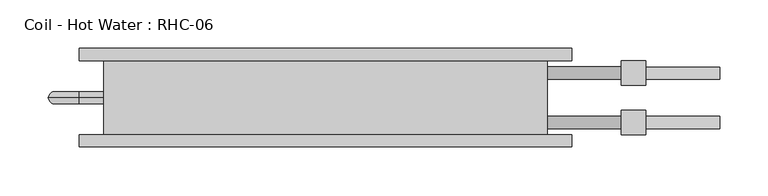
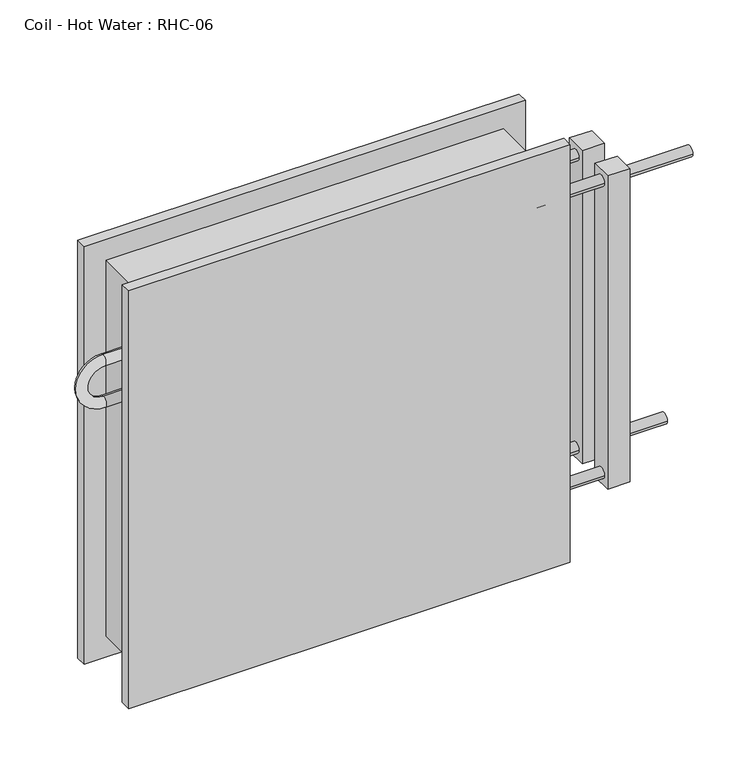
"""IFC4 building model written with IfcOpenShell, lengths in millimetres: proxy geometry, Coil - Hot Water : RHC-06."""

from ifc_helpers import new_model, si_unit, point, frame, origin, place, context, project, spatial, circle_curve, ellipse_curve, trimmed, source, transform, mapped, element, save
from ifc_brep_helpers import plane_surface, cylinder_surface, revolved_surface, advanced_brep


def coil_hot_water_rhc_06_f435830c(model_context):
    return source(origin(), model_context, "Body", "AdvancedBrep", [
        advanced_brep(
        [(-228.6, 76.2, 457.2), (-228.6, 0.0, 457.2), (228.6, 0.0, 457.2), (228.6, 76.2, 457.2), (228.6, 76.2, 0.0), (228.6, 0.0, 0.0), (-228.6, 0.0, 0.0), (-228.6, 76.2, 0.0), (-228.6, 38.1, 374.65), (-228.6, 38.1, 361.95), (-228.6, 38.1, 323.85), (-228.6, 38.1, 311.15), (228.6, 57.15, 406.4), (228.6, 69.85, 406.4), (228.6, 6.35, 50.8), (228.6, 19.05, 50.8), (228.6, 6.35, 406.4), (228.6, 19.05, 406.4), (228.6, 57.15, 50.8), (228.6, 69.85, 50.8), (254.0, 76.2, 482.6), (-254.0, 76.2, 482.6), (-254.0, 76.2, -25.4), (254.0, 76.2, -25.4), (254.0, 88.9, 482.6), (254.0, 88.9, -25.4), (-254.0, 88.9, -25.4), (-254.0, 88.9, 482.6), (406.4, 57.15, 50.8), (406.4, 69.85, 50.8), (406.4, 6.35, 406.4), (406.4, 19.05, 406.4), (330.2, 57.15, 50.8), (330.2, 69.85, 50.8), (330.2, 6.35, 406.4), (330.2, 19.05, 406.4), (254.0, -12.7, 482.6), (-254.0, -12.7, 482.6), (-254.0, -12.7, -25.4), (254.0, -12.7, -25.4), (254.0, 0.0, 482.6), (254.0, 0.0, -25.4), (-254.0, 0.0, -25.4), (-254.0, 0.0, 482.6), (-254.0, 38.1, 374.65), (-254.0, 38.1, 361.95), (-254.0, 38.1, 311.15), (-254.0, 38.1, 323.85), (304.8, 57.15, 406.4), (304.8, 69.85, 406.4), (304.8, 6.35, 50.8), (304.8, 19.05, 50.8), (304.8, 6.35, 406.4), (304.8, 19.05, 406.4), (304.8, 57.15, 50.8), (304.8, 69.85, 50.8), (330.2, 50.8, 419.1), (330.2, 50.8, 38.1), (330.2, 76.2, 38.1), (330.2, 76.2, 419.1), (330.2, 0.0, 419.1), (330.2, 0.0, 38.1), (330.2, 25.4, 38.1), (330.2, 25.4, 419.1), (304.8, 50.8, 419.1), (304.8, 76.2, 419.1), (304.8, 76.2, 38.1), (304.8, 50.8, 38.1), (304.8, 0.0, 419.1), (304.8, 25.4, 419.1), (304.8, 25.4, 38.1), (304.8, 0.0, 38.1)],
        [
            (0, 1),
            (1, 2),
            (2, 3),
            (3, 0),
            (4, 5),
            (5, 6),
            (6, 7),
            (7, 4),
            (0, 7),
            (6, 1),
            (8, 9, circle_curve(frame((-228.6, 38.1, 368.3), z_axis=(1.0, 0.0, 0.0), x_axis=(0.0, 0.0, -1.0)), 6.35)),
            (9, 8, circle_curve(frame((-228.6, 38.1, 368.3), z_axis=(1.0, 0.0, 0.0), x_axis=(0.0, 0.0, -1.0)), 6.35)),
            (10, 11, circle_curve(frame((-228.6, 38.1, 317.5), z_axis=(1.0, 0.0, 0.0), x_axis=(0.0, 0.0, 1.0)), 6.35)),
            (11, 10, circle_curve(frame((-228.6, 38.1, 317.5), z_axis=(1.0, 0.0, 0.0), x_axis=(0.0, 0.0, 1.0)), 6.35)),
            (2, 5),
            (4, 3),
            (12, 13, circle_curve(frame((228.6, 63.5, 406.4), z_axis=(-1.0, 0.0, 0.0), x_axis=(0.0, 1.0, 0.0)), 6.35)),
            (13, 12, circle_curve(frame((228.6, 63.5, 406.4), z_axis=(-1.0, 0.0, 0.0), x_axis=(0.0, 1.0, 0.0)), 6.35)),
            (14, 15, circle_curve(frame((228.6, 12.7, 50.8), z_axis=(-1.0, 0.0, 0.0), x_axis=(0.0, 1.0, 0.0)), 6.35)),
            (15, 14, circle_curve(frame((228.6, 12.7, 50.8), z_axis=(-1.0, 0.0, 0.0), x_axis=(0.0, 1.0, 0.0)), 6.35)),
            (16, 17, circle_curve(frame((228.6, 12.7, 406.4), z_axis=(-1.0, 0.0, 0.0), x_axis=(0.0, 1.0, 0.0)), 6.35)),
            (17, 16, circle_curve(frame((228.6, 12.7, 406.4), z_axis=(-1.0, 0.0, 0.0), x_axis=(0.0, 1.0, 0.0)), 6.35)),
            (18, 19, circle_curve(frame((228.6, 63.5, 50.8), z_axis=(-1.0, 0.0, 0.0), x_axis=(0.0, 1.0, 0.0)), 6.35)),
            (19, 18, circle_curve(frame((228.6, 63.5, 50.8), z_axis=(-1.0, 0.0, 0.0), x_axis=(0.0, 1.0, 0.0)), 6.35)),
            (20, 21),
            (21, 22),
            (22, 23),
            (23, 20),
            (24, 25),
            (25, 26),
            (26, 27),
            (27, 24),
            (20, 24),
            (27, 21),
            (26, 22),
            (25, 23),
            (28, 29, circle_curve(frame((406.4, 63.5, 50.8), z_axis=(1.0, 0.0, 0.0), x_axis=(0.0, 1.0, 0.0)), 6.35)),
            (29, 28, circle_curve(frame((406.4, 63.5, 50.8), z_axis=(1.0, 0.0, 0.0), x_axis=(0.0, 1.0, 0.0)), 6.35)),
            (30, 31, circle_curve(frame((406.4, 12.7, 406.4), z_axis=(1.0, 0.0, 0.0), x_axis=(0.0, 1.0, 0.0)), 6.35)),
            (31, 30, circle_curve(frame((406.4, 12.7, 406.4), z_axis=(1.0, 0.0, 0.0), x_axis=(0.0, 1.0, 0.0)), 6.35)),
            (28, 32),
            (32, 33, circle_curve(frame((330.2, 63.5, 50.8), z_axis=(1.0, 0.0, 0.0), x_axis=(0.0, 1.0, 0.0)), 6.35)),
            (33, 29),
            (33, 32, circle_curve(frame((330.2, 63.5, 50.8), z_axis=(1.0, 0.0, 0.0), x_axis=(0.0, 1.0, 0.0)), 6.35)),
            (30, 34),
            (34, 35, circle_curve(frame((330.2, 12.7, 406.4), z_axis=(1.0, 0.0, 0.0), x_axis=(0.0, 1.0, 0.0)), 6.35)),
            (35, 31),
            (35, 34, circle_curve(frame((330.2, 12.7, 406.4), z_axis=(1.0, 0.0, 0.0), x_axis=(0.0, 1.0, 0.0)), 6.35)),
            (36, 37),
            (37, 38),
            (38, 39),
            (39, 36),
            (40, 41),
            (41, 42),
            (42, 43),
            (43, 40),
            (36, 40),
            (43, 37),
            (42, 38),
            (41, 39),
            (8, 44),
            (44, 45, circle_curve(frame((-254.0, 38.1, 368.3), z_axis=(1.0, 0.0, 0.0), x_axis=(0.0, 0.0, -1.0)), 6.35)),
            (45, 9),
            (45, 44, circle_curve(frame((-254.0, 38.1, 368.3), z_axis=(1.0, 0.0, 0.0), x_axis=(0.0, 0.0, -1.0)), 6.35)),
            (44, 46, circle_curve(frame((-254.0, 38.1, 342.9), z_axis=(0.0, -1.0, 0.0), x_axis=(0.0, 0.0, 1.0)), 31.75)),
            (46, 47, circle_curve(frame((-254.0, 38.1, 317.5), z_axis=(-1.0, 0.0, 0.0), x_axis=(0.0, 0.0, 1.0)), 6.35)),
            (47, 45, circle_curve(frame((-254.0, 38.1, 342.9), z_axis=(0.0, 1.0, 0.0), x_axis=(0.0, 0.0, 1.0)), 19.05)),
            (47, 46, circle_curve(frame((-254.0, 38.1, 317.5), z_axis=(-1.0, 0.0, 0.0), x_axis=(0.0, 0.0, 1.0)), 6.35)),
            (46, 11),
            (10, 47),
            (12, 48),
            (48, 49, circle_curve(frame((304.8, 63.5, 406.4), z_axis=(-1.0, 0.0, 0.0), x_axis=(0.0, 1.0, 0.0)), 6.35)),
            (49, 13),
            (49, 48, circle_curve(frame((304.8, 63.5, 406.4), z_axis=(-1.0, 0.0, 0.0), x_axis=(0.0, 1.0, 0.0)), 6.35)),
            (14, 50),
            (50, 51, circle_curve(frame((304.8, 12.7, 50.8), z_axis=(-1.0, 0.0, 0.0), x_axis=(0.0, 1.0, 0.0)), 6.35)),
            (51, 15),
            (51, 50, circle_curve(frame((304.8, 12.7, 50.8), z_axis=(-1.0, 0.0, 0.0), x_axis=(0.0, 1.0, 0.0)), 6.35)),
            (16, 52),
            (52, 53, circle_curve(frame((304.8, 12.7, 406.4), z_axis=(-1.0, 0.0, 0.0), x_axis=(0.0, 1.0, 0.0)), 6.35)),
            (53, 17),
            (53, 52, circle_curve(frame((304.8, 12.7, 406.4), z_axis=(-1.0, 0.0, 0.0), x_axis=(0.0, 1.0, 0.0)), 6.35)),
            (18, 54),
            (54, 55, circle_curve(frame((304.8, 63.5, 50.8), z_axis=(-1.0, 0.0, 0.0), x_axis=(0.0, 1.0, 0.0)), 6.35)),
            (55, 19),
            (55, 54, circle_curve(frame((304.8, 63.5, 50.8), z_axis=(-1.0, 0.0, 0.0), x_axis=(0.0, 1.0, 0.0)), 6.35)),
            (56, 57),
            (57, 58),
            (58, 59),
            (59, 56),
            (60, 61),
            (61, 62),
            (62, 63),
            (63, 60),
            (64, 65),
            (65, 66),
            (66, 67),
            (67, 64),
            (68, 69),
            (69, 70),
            (70, 71),
            (71, 68),
            (56, 64),
            (67, 57),
            (66, 58),
            (65, 59),
            (60, 68),
            (71, 61),
            (70, 62),
            (69, 63),
        ],
        [
            plane_surface(frame((-228.6, 76.2, 457.2), z_axis=(0.0, 0.0, 1.0), x_axis=(-1.0, 0.0, 0.0))),
            plane_surface(frame((-228.6, 76.2, 0.0), z_axis=(0.0, 0.0, -1.0), x_axis=(1.0, 0.0, 0.0))),
            plane_surface(frame((-228.6, 76.2, 457.2), z_axis=(-1.0, 0.0, 0.0), x_axis=(0.0, 0.0, -1.0))),
            plane_surface(frame((228.6, 0.0, 457.2), z_axis=(1.0, 0.0, 0.0), x_axis=(0.0, 0.0, -1.0))),
            plane_surface(frame((-254.0, 76.2, 482.6), z_axis=(0.0, -1.0, 0.0), x_axis=(-1.0, 0.0, 0.0))),
            plane_surface(frame((-254.0, 88.9, 482.6), z_axis=(0.0, 1.0, 0.0), x_axis=(1.0, 0.0, 0.0))),
            plane_surface(frame((254.0, 76.2, 482.6), z_axis=(0.0, 0.0, 1.0), x_axis=(0.0, 1.0, 0.0))),
            plane_surface(frame((-254.0, 76.2, 482.6), z_axis=(-1.0, 0.0, 0.0), x_axis=(0.0, 1.0, 0.0))),
            plane_surface(frame((-254.0, 76.2, -25.4), z_axis=(0.0, 0.0, -1.0), x_axis=(0.0, 1.0, 0.0))),
            plane_surface(frame((254.0, 76.2, -25.4), z_axis=(1.0, 0.0, 0.0), x_axis=(0.0, 1.0, 0.0))),
            plane_surface(frame((406.4, 69.85, 50.8), z_axis=(1.0, 0.0, 0.0), x_axis=(0.0, 0.0, 1.0))),
            cylinder_surface(frame((330.2, 63.5, 50.8), z_axis=(1.0, 0.0, 0.0), x_axis=(0.0, 1.0, 0.0)), 6.35),
            cylinder_surface(frame((0.0, 12.7, 406.4), z_axis=(1.0, 0.0, 0.0), x_axis=(0.0, 1.0, 0.0)), 6.35),
            plane_surface(frame((-254.0, -12.7, 482.6), z_axis=(0.0, -1.0, 0.0), x_axis=(-1.0, 0.0, 0.0))),
            plane_surface(frame((-254.0, 0.0, 482.6), z_axis=(0.0, 1.0, 0.0), x_axis=(1.0, 0.0, 0.0))),
            plane_surface(frame((254.0, -12.7, 482.6), z_axis=(0.0, 0.0, 1.0), x_axis=(0.0, 1.0, 0.0))),
            plane_surface(frame((-254.0, -12.7, 482.6), z_axis=(-1.0, 0.0, 0.0), x_axis=(0.0, 1.0, 0.0))),
            plane_surface(frame((-254.0, -12.7, -25.4), z_axis=(0.0, 0.0, -1.0), x_axis=(0.0, 1.0, 0.0))),
            plane_surface(frame((254.0, -12.7, -25.4), z_axis=(1.0, 0.0, 0.0), x_axis=(0.0, 1.0, 0.0))),
            cylinder_surface(frame((-228.6, 38.1, 368.3), z_axis=(1.0, 0.0, 0.0), x_axis=(0.0, 0.0, -1.0)), 6.35),
            revolved_surface(trimmed(ellipse_curve(frame((-254.0, 38.1, 368.3), z_axis=(1.0, 0.0, 0.0), x_axis=(0.0, 0.0, -1.0)), 6.35, 6.35), [point((-254.0, 38.1, 374.65))], [point((-254.0, 38.1, 361.95))], True, "CARTESIAN"), (-254.0, 0.0, 342.9), (0.0, -1.0, 0.0)),
            revolved_surface(trimmed(ellipse_curve(frame((-254.0, 38.1, 368.3), z_axis=(1.0, 0.0, 0.0), x_axis=(0.0, 0.0, -1.0)), 6.35, 6.35), [point((-254.0, 38.1, 361.95))], [point((-254.0, 38.1, 374.65))], True, "CARTESIAN"), (-254.0, 0.0, 342.9), (0.0, -1.0, 0.0)),
            cylinder_surface(frame((-254.0, 38.1, 317.5), z_axis=(-1.0, 0.0, 0.0), x_axis=(0.0, 0.0, 1.0)), 6.35),
            cylinder_surface(frame((228.6, 63.5, 406.4), z_axis=(-1.0, 0.0, 0.0), x_axis=(0.0, 1.0, 0.0)), 6.35),
            cylinder_surface(frame((228.6, 12.7, 50.8), z_axis=(-1.0, 0.0, 0.0), x_axis=(0.0, 1.0, 0.0)), 6.35),
            cylinder_surface(frame((228.6, 12.7, 406.4), z_axis=(-1.0, 0.0, 0.0), x_axis=(0.0, 1.0, 0.0)), 6.35),
            cylinder_surface(frame((228.6, 63.5, 50.8), z_axis=(-1.0, 0.0, 0.0), x_axis=(0.0, 1.0, 0.0)), 6.35),
            plane_surface(frame((330.2, 50.8, 419.1), z_axis=(1.0, 0.0, 0.0), x_axis=(0.0, 0.0, -1.0))),
            plane_surface(frame((304.8, 50.8, 419.1), z_axis=(-1.0, 0.0, 0.0), x_axis=(0.0, 0.0, 1.0))),
            plane_surface(frame((330.2, 50.8, 419.1), z_axis=(0.0, -1.0, 0.0), x_axis=(-1.0, 0.0, 0.0))),
            plane_surface(frame((330.2, 50.8, 38.1), z_axis=(0.0, 0.0, -1.0), x_axis=(-1.0, 0.0, 0.0))),
            plane_surface(frame((330.2, 76.2, 38.1), z_axis=(0.0, 1.0, 0.0), x_axis=(-1.0, 0.0, 0.0))),
            plane_surface(frame((330.2, 76.2, 419.1), z_axis=(0.0, 0.0, 1.0), x_axis=(-1.0, 0.0, 0.0))),
            plane_surface(frame((330.2, 0.0, 419.1), z_axis=(0.0, -1.0, 0.0), x_axis=(-1.0, 0.0, 0.0))),
            plane_surface(frame((330.2, 0.0, 38.1), z_axis=(0.0, 0.0, -1.0), x_axis=(-1.0, 0.0, 0.0))),
            plane_surface(frame((330.2, 25.4, 38.1), z_axis=(0.0, 1.0, 0.0), x_axis=(-1.0, 0.0, 0.0))),
            plane_surface(frame((330.2, 25.4, 419.1), z_axis=(0.0, 0.0, 1.0), x_axis=(-1.0, 0.0, 0.0))),
        ],
        [
            (0, [[1, 2, 3, 4]]),
            (1, [[5, 6, 7, 8]]),
            (2, [[-1, 9, -7, 10], [11, 12], [13, 14]]),
            (3, [[-3, 15, -5, 16], [17, 18], [19, 20], [21, 22], [23, 24]]),
            (4, [[25, 26, 27, 28], [-4, -16, -8, -9]]),
            (5, [[29, 30, 31, 32]]),
            (6, [[-25, 33, -32, 34]]),
            (7, [[-26, -34, -31, 35]]),
            (8, [[-27, -35, -30, 36]]),
            (9, [[-28, -36, -29, -33]]),
            (10, [[37, 38]]),
            (10, [[39, 40]]),
            (11, [[-37, 41, 42, 43]]),
            (11, [[-38, -43, 44, -41]]),
            (12, [[-39, 45, 46, 47]]),
            (12, [[-40, -47, 48, -45]]),
            (13, [[49, 50, 51, 52]]),
            (14, [[53, 54, 55, 56], [-2, -10, -6, -15]]),
            (15, [[-49, 57, -56, 58]]),
            (16, [[-50, -58, -55, 59]]),
            (17, [[-51, -59, -54, 60]]),
            (18, [[-52, -60, -53, -57]]),
            (19, [[61, 62, 63, -11]]),
            (19, [[-61, -12, -63, 64]]),
            (20, [[-62, 65, 66, 67]]),
            (21, [[-64, -67, 68, -65]]),
            (22, [[-66, 69, -13, 70]]),
            (22, [[-68, -70, -14, -69]]),
            (23, [[71, 72, 73, -17]]),
            (23, [[-71, -18, -73, 74]]),
            (24, [[75, 76, 77, -19]]),
            (24, [[-75, -20, -77, 78]]),
            (25, [[79, 80, 81, -21]]),
            (25, [[-79, -22, -81, 82]]),
            (26, [[83, 84, 85, -23]]),
            (26, [[-83, -24, -85, 86]]),
            (27, [[87, 88, 89, 90], [-42, -44]]),
            (27, [[91, 92, 93, 94], [-46, -48]]),
            (28, [[95, 96, 97, 98], [-72, -74], [-84, -86]]),
            (28, [[99, 100, 101, 102], [-76, -78], [-80, -82]]),
            (29, [[-87, 103, -98, 104]]),
            (30, [[-88, -104, -97, 105]]),
            (31, [[-89, -105, -96, 106]]),
            (32, [[-90, -106, -95, -103]]),
            (33, [[-91, 107, -102, 108]]),
            (34, [[-92, -108, -101, 109]]),
            (35, [[-93, -109, -100, 110]]),
            (36, [[-94, -110, -99, -107]]),
        ],
    ),
    ])


if __name__ == "__main__":
    model = new_model("IFC4")
    model_context = context("Model", 3, world=origin())
    ifc_project = project(units=[si_unit("LENGTHUNIT", "METRE", prefix="MILLI")], contexts=[model_context])
    site = spatial("IfcSite", under=ifc_project)
    building = spatial("IfcBuilding", under=site)
    placement = place(None, origin())
    coil_hot_water_rhc_06_shape = coil_hot_water_rhc_06_f435830c(model_context)
    element("IfcBuildingElementProxy", 1, Name="Coil - Hot Water : RHC-06", ObjectType="Coil - Hot Water : RHC-06", at=placement, inside=building, context=model_context, shape_type="MappedRepresentation", body=[
        mapped(coil_hot_water_rhc_06_shape, transform((0.0, 0.0, 0.0), x_axis=(1.0, 0.0, 0.0), y_axis=(0.0, 1.0, 0.0), z_axis=(0.0, 0.0, 1.0))),
    ])
    save(model, "model.ifc")
